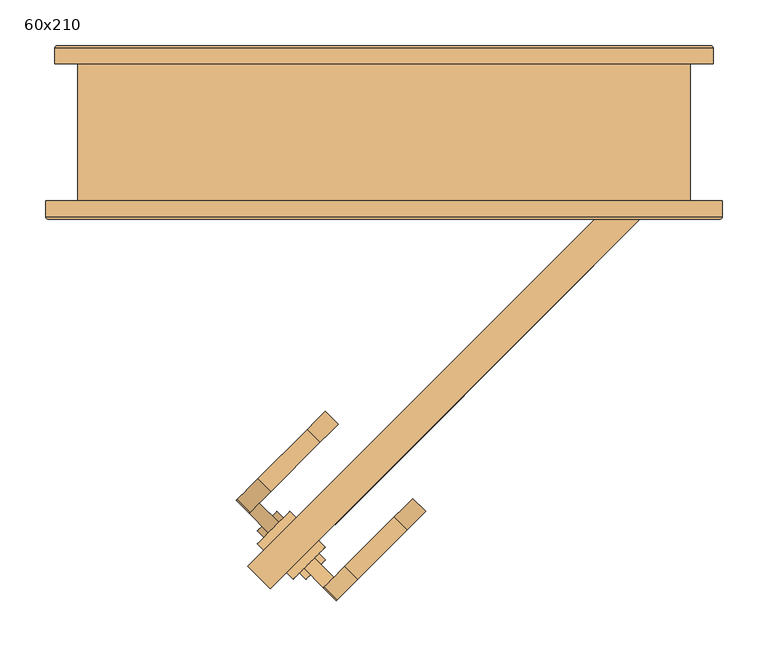
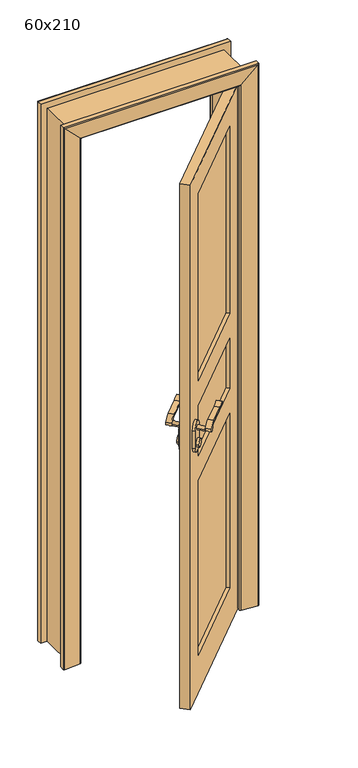
"""IFC4 building model written with IfcOpenShell, lengths in millimetres: door geometry, 60x210."""

from ifc_helpers import new_model, si_unit, point, frame, frame_2d, origin, place, context, project, spatial, polyline, circle_curve, ellipse_curve, trimmed, segment, composite_curve, outline, extrude, faceted_brep, source, transform, mapped, element, save
from ifc_brep_helpers import plane_surface, cylinder_surface, advanced_brep


def door_60x210_3c342f93(model_context):
    return source(origin(), model_context, "Body", "SolidModel", [
        extrude(outline(composite_curve([segment(trimmed(circle_curve(frame_2d((0.0, -15.0)), 15.0), [point((0.0, -29.9999999))], [point((0.0, 0.0))], False, "CARTESIAN"), True, "CONTINUOUS"), segment(trimmed(circle_curve(frame_2d((0.0, -15.0)), 15.0), [point((0.0, 0.0))], [point((0.0, -29.9999999))], False, "CARTESIAN"), True, "CONTINUOUS")], self_intersect=False)), frame((-131.3351365, -442.6955262, 1040.0), z_axis=(-0.7071067811865439, 0.7071067811865511, 0.0), x_axis=(0.0, 0.0, -1.0)), (0.0, 0.0, 1.0), 10.0),
        extrude(outline(composite_curve([segment(trimmed(circle_curve(frame_2d((0.0, -15.0)), 15.0), [point((0.0, -29.9999999))], [point((0.0, 0.0))], False, "CARTESIAN"), True, "CONTINUOUS"), segment(trimmed(circle_curve(frame_2d((0.0, -15.0)), 15.0), [point((0.0, 0.0))], [point((0.0, -29.9999999))], False, "CARTESIAN"), True, "CONTINUOUS")], self_intersect=False)), frame((-85.3731957, -488.657467, 1040.0), z_axis=(-0.7071067811865439, 0.7071067811865511, 0.0), x_axis=(0.0, 0.0, -1.0)), (0.0, 0.0, 1.0), 10.0),
        extrude(outline(composite_curve([segment(trimmed(circle_curve(frame_2d((17.2444479, -60.9507348)), 8.0), [point((21.8967766, -67.4588711))], [point((17.2444479, -52.9507348))], False, "CARTESIAN"), True, "CONTINUOUS"), segment(trimmed(circle_curve(frame_2d((12.1183092, -35.5645447)), 18.1261387), [point((17.2444479, -52.9507348))], [point((30.2444479, -35.5645447))], True, "CARTESIAN"), True, "CONTINUOUS"), segment(polyline([(30.2444479, -35.5645447), (30.2444479, 40.692856)]), True, "CONTINUOUS"), segment(trimmed(circle_curve(frame_2d((89.5153686, 37.109604)), 59.3791355), [point((30.2444479, 40.692856))], [point((39.4580037, 69.0492652))], False, "CARTESIAN"), True, "CONTINUOUS"), segment(polyline([(39.4580037, 69.0492652), (42.2444479, 69.0492652)]), True, "CONTINUOUS"), segment(trimmed(circle_curve(frame_2d((120.5295117, 40.6264743)), 83.2850902), [point((42.2444479, 69.0492652))], [point((37.2444479, 40.692856))], True, "CARTESIAN"), True, "CONTINUOUS"), segment(polyline([(37.2444479, 40.692856), (37.2444479, -35.5833014)]), True, "CONTINUOUS"), segment(trimmed(circle_curve(frame_2d((0.0, -37.2832219)), 37.2832219), [point((37.2444479, -35.5833014))], [point((21.8967766, -67.4588711))], False, "CARTESIAN"), True, "CONTINUOUS")], self_intersect=False)), frame((-98.8430603, -367.7770432, 1082.7555521), z_axis=(-0.7071067811865439, 0.7071067811865511, 0.0), x_axis=(0.0, 0.0, 1.0)), (0.0, 0.0, 1.0), 20.0),
        extrude(outline(composite_curve([segment(trimmed(circle_curve(frame_2d((0.0, 18.1261319)), 18.1261318), [point((-5.1261221, 35.5123197))], [point((-18.1261318, 18.1261319))], True, "CARTESIAN"), True, "CONTINUOUS"), segment(polyline([(-18.1261318, 18.1261319), (-18.1261318, -58.1312713)]), True, "CONTINUOUS"), segment(trimmed(circle_curve(frame_2d((-77.3970525, -54.5480191)), 59.3791355), [point((-18.1261318, -58.1312713))], [point((-27.3396876, -86.4876803))], False, "CARTESIAN"), True, "CONTINUOUS"), segment(polyline([(-27.3396876, -86.4876803), (-30.1261318, -86.4876803)]), True, "CONTINUOUS"), segment(trimmed(circle_curve(frame_2d((-108.4111956, -58.0648894)), 83.2850902), [point((-30.1261318, -86.4876803))], [point((-25.1261318, -58.1312713))], True, "CARTESIAN"), True, "CONTINUOUS"), segment(polyline([(-25.1261318, -58.1312713), (-25.1261318, 18.1448864)]), True, "CONTINUOUS"), segment(trimmed(circle_curve(frame_2d((12.1183161, 19.8448067)), 37.2832219), [point((-25.1261318, 18.1448864))], [point((-9.7784605, 50.0204559))], False, "CARTESIAN"), True, "CONTINUOUS"), segment(trimmed(circle_curve(frame_2d((-5.1261318, 43.5123197)), 8.0), [point((-9.7784605, 50.0204559))], [point((-5.1261221, 35.5123197))], False, "CARTESIAN"), True, "CONTINUOUS")], self_intersect=False)), frame((-15.7144665, -475.5672802, 1094.8738682), z_axis=(-0.7071067811865439, 0.7071067811865511, 0.0), x_axis=(0.0, 0.0, -1.0)), (0.0, 0.0, 1.0), 20.0),
        extrude(outline(composite_curve([segment(trimmed(circle_curve(frame_2d((0.0, -8.0)), 8.0), [point((0.0, -16.0))], [point((0.0, 0.0))], False, "CARTESIAN"), True, "CONTINUOUS"), segment(trimmed(circle_curve(frame_2d((0.0, -8.0)), 8.0), [point((0.0, 0.0))], [point((0.0, -16.0))], False, "CARTESIAN"), True, "CONTINUOUS")], self_intersect=False)), frame((-126.3853891, -437.7457787, 1100.0), z_axis=(-0.7071067811865439, 0.7071067811865511, 0.0), x_axis=(0.0, 0.0, -1.0)), (0.0, 0.0, 1.0), 30.0),
        extrude(outline(composite_curve([segment(trimmed(circle_curve(frame_2d((0.0, -8.0)), 8.0), [point((0.0, -15.9999999))], [point((0.0, 0.0))], False, "CARTESIAN"), True, "CONTINUOUS"), segment(trimmed(circle_curve(frame_2d((0.0, -8.0)), 8.0), [point((0.0, 0.0))], [point((0.0, -15.9999999))], False, "CARTESIAN"), True, "CONTINUOUS")], self_intersect=False)), frame((-66.2813127, -497.8498551, 1100.0), z_axis=(-0.7071067811865439, 0.7071067811865511, 0.0), x_axis=(0.0, 0.0, -1.0)), (0.0, 0.0, 1.0), 30.0),
        extrude(outline(composite_curve([segment(trimmed(circle_curve(frame_2d((0.0, -25.0)), 25.0), [point((0.0, 0.0))], [point((0.0, -49.9999999))], False, "CARTESIAN"), True, "CONTINUOUS"), segment(polyline([(0.0, -49.9999999), (-70.0, -49.9999999)]), True, "CONTINUOUS"), segment(trimmed(circle_curve(frame_2d((-70.0, -25.0)), 25.0), [point((-70.0, -49.9999999))], [point((-70.0, 0.0))], False, "CARTESIAN"), True, "CONTINUOUS"), segment(polyline([(-70.0, 0.0), (0.0, 0.0)]), True, "CONTINUOUS")], self_intersect=False)), frame((-131.3351365, -456.8376618, 1030.0), z_axis=(-0.7071067811865439, 0.7071067811865511, 0.0), x_axis=(0.0, 0.0, -1.0)), (0.0, 0.0, 1.0), 10.0),
        extrude(outline(composite_curve([segment(trimmed(circle_curve(frame_2d((0.0, -25.0)), 25.0), [point((0.0, 0.0))], [point((0.0, -50.0000001))], False, "CARTESIAN"), True, "CONTINUOUS"), segment(polyline([(0.0, -50.0000001), (-70.0, -50.0000001)]), True, "CONTINUOUS"), segment(trimmed(circle_curve(frame_2d((-70.0, -25.0)), 25.0), [point((-70.0, -50.0000001))], [point((-70.0, 0.0))], False, "CARTESIAN"), True, "CONTINUOUS"), segment(polyline([(-70.0, 0.0), (0.0, 0.0)]), True, "CONTINUOUS")], self_intersect=False)), frame((-99.5153314, -488.657467, 1030.0), z_axis=(-0.7071067811865439, 0.7071067811865511, 0.0), x_axis=(0.0, 0.0, -1.0)), (0.0, 0.0, 1.0), 10.0),
        extrude(outline(polyline([(-600.0, 0.0), (0.0, 0.0), (0.0, -2100.0), (-600.0, -2100.0), (-600.0, 0.0)]), holes=[polyline([(-500.0, -950.0), (-500.0, -1150.0), (-100.0, -1150.0), (-100.0, -950.0), (-500.0, -950.0)]), polyline([(-500.0, -1250.0), (-500.0, -1950.0), (-100.0, -1950.0), (-100.0, -1250.0), (-500.0, -1250.0)]), polyline([(-500.0, -100.0), (-500.0, -850.0), (-100.0, -850.0), (-100.0, -100.0), (-500.0, -100.0)])]), frame((-124.2640687, -499.2640687, 2100.0), z_axis=(-0.7071067811865439, 0.7071067811865511, 0.0), x_axis=(-0.7071067811865511, -0.7071067811865439, 0.0)), (0.0, 0.0, 1.0), 35.0),
        extrude(outline(polyline([(220.4504871, -136.8718434), (-62.3922254, -419.7145558), (-69.4632932, -412.643488), (213.3794193, -129.8007755), (220.4504871, -136.8718434)])), frame((0.0, 0.0, 950.0), z_axis=(0.0, 0.0, 1.0), x_axis=(1.0, 0.0, 0.0)), (0.0, 0.0, 1.0), 200.0),
        extrude(outline(polyline([(220.4504871, -136.8718434), (-62.3922254, -419.7145558), (-69.4632932, -412.643488), (213.3794193, -129.8007755), (220.4504871, -136.8718434)])), frame((0.0, 0.0, 150.0), z_axis=(0.0, 0.0, 1.0), x_axis=(1.0, 0.0, 0.0)), (0.0, 0.0, 1.0), 700.0),
        extrude(outline(polyline([(220.4504871, -136.8718434), (-62.3922254, -419.7145558), (-69.4632932, -412.643488), (213.3794193, -129.8007755), (220.4504871, -136.8718434)])), frame((0.0, 0.0, 1250.0), z_axis=(0.0, 0.0, 1.0), x_axis=(1.0, 0.0, 0.0)), (0.0, 0.0, 1.0), 750.0),
        advanced_brep(
        [(360.0, 75.0, 0.0), (290.0, 75.0, 0.0), (290.0, 85.0, 0.0), (295.0, 90.0, 0.0), (357.3082588, 94.792943, 0.0), (360.0, 92.3003068, 0.0), (360.0, 75.0, 2160.0), (-360.0, 75.0, 2160.0), (-360.0, 75.0, 0.0), (-290.0, 75.0, 0.0), (-290.0, 75.0, 2090.0), (290.0, 75.0, 2090.0), (290.0, 85.0, 2090.0), (295.0, 90.0, 2095.0), (357.3082588, 94.792943, 2157.3082588), (360.0, 92.3003068, 2160.0), (-360.0, 92.3003068, 2160.0), (-360.0, 92.3003068, 0.0), (-357.3082588, 94.792943, 0.0), (-295.0, 90.0, 0.0), (-290.0, 85.0, 0.0), (-290.0, 85.0, 2090.0), (-357.3082588, 94.792943, 2157.3082588), (-295.0, 90.0, 2095.0)],
        [
            (0, 1),
            (1, 2),
            (2, 3, circle_curve(frame((295.0, 85.0, 0.0), z_axis=(0.0, 0.0, -1.0), x_axis=(0.0, 1.0, 0.0)), 5.0)),
            (3, 4),
            (4, 5, circle_curve(frame((357.5, 92.3003068, 0.0), z_axis=(0.0, 0.0, -1.0), x_axis=(0.0, 1.0, 0.0)), 2.5)),
            (5, 0),
            (0, 6),
            (6, 7),
            (7, 8),
            (8, 9),
            (9, 10),
            (10, 11),
            (11, 1),
            (11, 12),
            (12, 2),
            (12, 13, ellipse_curve(frame((295.0, 85.0, 2095.0), z_axis=(0.7071067811865475, 0.0, -0.7071067811865475), x_axis=(-0.7071067811865474, 0.0, -0.7071067811865476)), 7.0710678, 5.0)),
            (13, 3),
            (13, 14),
            (14, 4),
            (14, 15, ellipse_curve(frame((357.5, 92.3003068, 2157.5), z_axis=(0.7071067811865475, 0.0, -0.7071067811865475), x_axis=(-0.7071067811865474, 0.0, -0.7071067811865476)), 3.5355339, 2.5)),
            (15, 5),
            (15, 6),
            (7, 16),
            (16, 17),
            (17, 8),
            (17, 18, circle_curve(frame((-357.5, 92.3003068, 0.0), z_axis=(0.0, 0.0, -1.0), x_axis=(0.0, 1.0, 0.0)), 2.5)),
            (18, 19),
            (19, 20, circle_curve(frame((-295.0, 85.0, 0.0), z_axis=(0.0, 0.0, -1.0), x_axis=(0.0, 1.0, 0.0)), 5.0)),
            (20, 9),
            (21, 10),
            (20, 21),
            (16, 22, ellipse_curve(frame((-357.5, 92.3003068, 2157.5), z_axis=(-0.7071067811865475, 0.0, -0.7071067811865475), x_axis=(-0.7071067811865474, 0.0, 0.7071067811865476)), 3.5355339, 2.5)),
            (22, 18),
            (22, 23),
            (23, 19),
            (23, 21, ellipse_curve(frame((-295.0, 85.0, 2095.0), z_axis=(-0.7071067811865475, 0.0, -0.7071067811865475), x_axis=(-0.7071067811865474, 0.0, 0.7071067811865476)), 7.0710678, 5.0)),
            (21, 12),
            (23, 13),
            (22, 14),
            (16, 15),
        ],
        [
            plane_surface(frame((290.0, 75.0, 0.0), z_axis=(0.0, 0.0, -1.0), x_axis=(-1.0, 0.0, 0.0))),
            plane_surface(frame((360.0, 75.0, 0.0), z_axis=(0.0, -1.0, 0.0), x_axis=(0.0, 0.0, 1.0))),
            plane_surface(frame((290.0, 75.0, 0.0), z_axis=(-1.0, 0.0, 0.0), x_axis=(0.0, 0.0, 1.0))),
            cylinder_surface(frame((295.0, 85.0, 0.0), z_axis=(0.0, 0.0, -1.0), x_axis=(0.0, 1.0, 0.0)), 5.0),
            plane_surface(frame((295.0, 90.0, 0.0), z_axis=(-0.07669649888474349, 0.9970544855015812, 0.0), x_axis=(0.0, 0.0, 1.0))),
            cylinder_surface(frame((357.5, 92.3003068, 0.0), z_axis=(0.0, 0.0, -1.0), x_axis=(0.0, 1.0, 0.0)), 2.5),
            plane_surface(frame((360.0, 92.3003068, 0.0), z_axis=(1.0, 0.0, 0.0), x_axis=(0.0, 0.0, 1.0))),
            plane_surface(frame((-360.0, 92.3003068, 2160.0), z_axis=(-1.0, 0.0, 0.0), x_axis=(0.0, 0.0, -1.0))),
            plane_surface(frame((-290.0, 75.0, 0.0), z_axis=(0.0, 0.0, -1.0), x_axis=(1.0, 0.0, 0.0))),
            plane_surface(frame((-290.0, 75.0, 2090.0), z_axis=(1.0, 0.0, 0.0), x_axis=(0.0, 0.0, -1.0))),
            cylinder_surface(frame((-357.5, 92.3003068, 2090.0), z_axis=(0.0, 0.0, 1.0), x_axis=(0.0, 1.0, 0.0)), 2.5),
            plane_surface(frame((-295.0, 90.0, 2095.0), z_axis=(0.07669649888474349, 0.9970544855015812, 0.0), x_axis=(0.0, 0.0, -1.0))),
            cylinder_surface(frame((-295.0, 85.0, 2090.0), z_axis=(0.0, 0.0, 1.0), x_axis=(0.0, 1.0, 0.0)), 5.0),
            plane_surface(frame((290.0, 75.0, 2090.0), z_axis=(0.0, 0.0, -1.0), x_axis=(-1.0, 0.0, 0.0))),
            cylinder_surface(frame((290.0, 85.0, 2095.0), z_axis=(1.0, 0.0, 0.0), x_axis=(0.0, 1.0, 0.0)), 5.0),
            plane_surface(frame((295.0, 90.0, 2095.0), z_axis=(0.0, 0.9970544855015812, -0.07669649888474349), x_axis=(-1.0, 0.0, 0.0))),
            cylinder_surface(frame((290.0, 92.3003068, 2157.5), z_axis=(1.0, 0.0, 0.0), x_axis=(0.0, 1.0, 0.0)), 2.5),
            plane_surface(frame((360.0, 92.3003068, 2160.0), z_axis=(0.0, 0.0, 1.0), x_axis=(-1.0, 0.0, 0.0))),
        ],
        [
            (0, [[1, 2, 3, 4, 5, 6]]),
            (1, [[-1, 7, 8, 9, 10, 11, 12, 13]]),
            (2, [[-2, -13, 14, 15]]),
            (3, [[-3, -15, 16, 17]]),
            (4, [[-4, -17, 18, 19]]),
            (5, [[-5, -19, 20, 21]]),
            (6, [[-6, -21, 22, -7]]),
            (7, [[23, 24, 25, -9]]),
            (8, [[-25, 26, 27, 28, 29, -10]]),
            (9, [[30, -11, -29, 31]]),
            (10, [[32, 33, -26, -24]]),
            (11, [[34, 35, -27, -33]]),
            (12, [[36, -31, -28, -35]]),
            (13, [[-14, -12, -30, 37]]),
            (14, [[-16, -37, -36, 38]]),
            (15, [[-18, -38, -34, 39]]),
            (16, [[-20, -39, -32, 40]]),
            (17, [[-22, -40, -23, -8]]),
        ],
    ),
        advanced_brep(
        [(370.0, -75.0, 0.0), (370.0, -92.3003068, 0.0), (367.3082588, -94.792943, 0.0), (305.0, -90.0, 0.0), (300.0, -85.0, 0.0), (300.0, -75.0, 0.0), (370.0, -75.0, 2170.0), (370.0, -92.3003068, 2170.0), (367.3082588, -94.792943, 2167.3082588), (305.0, -90.0, 2105.0), (300.0, -85.0, 2100.0), (300.0, -75.0, 2100.0), (-300.0, -75.0, 2100.0), (-300.0, -75.0, 0.0), (-370.0, -75.0, 0.0), (-370.0, -75.0, 2170.0), (-300.0, -85.0, 2100.0), (-300.0, -85.0, 0.0), (-305.0, -90.0, 0.0), (-367.3082588, -94.792943, 0.0), (-370.0, -92.3003068, 0.0), (-370.0, -92.3003068, 2170.0), (-305.0, -90.0, 2105.0), (-367.3082588, -94.792943, 2167.3082588)],
        [
            (0, 1),
            (1, 2, circle_curve(frame((367.5, -92.3003068, 0.0), z_axis=(0.0, 0.0, -1.0), x_axis=(0.0, -1.0, 0.0)), 2.5)),
            (2, 3),
            (3, 4, circle_curve(frame((305.0, -85.0, 0.0), z_axis=(0.0, 0.0, -1.0), x_axis=(0.0, -1.0, 0.0)), 5.0)),
            (4, 5),
            (5, 0),
            (0, 6),
            (6, 7),
            (7, 1),
            (7, 8, ellipse_curve(frame((367.5, -92.3003068, 2167.5), z_axis=(0.7071067811865475, 0.0, -0.7071067811865475), x_axis=(-0.7071067811865474, 0.0, -0.7071067811865476)), 3.5355339, 2.5)),
            (8, 2),
            (8, 9),
            (9, 3),
            (9, 10, ellipse_curve(frame((305.0, -85.0, 2105.0), z_axis=(0.7071067811865475, 0.0, -0.7071067811865475), x_axis=(-0.7071067811865474, 0.0, -0.7071067811865476)), 7.0710678, 5.0)),
            (10, 4),
            (10, 11),
            (11, 5),
            (11, 12),
            (12, 13),
            (13, 14),
            (14, 15),
            (15, 6),
            (12, 16),
            (16, 17),
            (17, 13),
            (17, 18, circle_curve(frame((-305.0, -85.0, 0.0), z_axis=(0.0, 0.0, -1.0), x_axis=(0.0, -1.0, 0.0)), 5.0)),
            (18, 19),
            (19, 20, circle_curve(frame((-367.5, -92.3003068, 0.0), z_axis=(0.0, 0.0, -1.0), x_axis=(0.0, -1.0, 0.0)), 2.5)),
            (20, 14),
            (21, 15),
            (20, 21),
            (16, 22, ellipse_curve(frame((-305.0, -85.0, 2105.0), z_axis=(-0.7071067811865475, 0.0, -0.7071067811865475), x_axis=(-0.7071067811865474, 0.0, 0.7071067811865476)), 7.0710678, 5.0)),
            (22, 18),
            (22, 23),
            (23, 19),
            (23, 21, ellipse_curve(frame((-367.5, -92.3003068, 2167.5), z_axis=(-0.7071067811865475, 0.0, -0.7071067811865475), x_axis=(-0.7071067811865474, 0.0, 0.7071067811865476)), 3.5355339, 2.5)),
            (21, 7),
            (23, 8),
            (22, 9),
            (16, 10),
        ],
        [
            plane_surface(frame((300.0, -75.0, 0.0), z_axis=(0.0, 0.0, -1.0), x_axis=(-1.0, 0.0, 0.0))),
            plane_surface(frame((370.0, -75.0, 0.0), z_axis=(1.0, 0.0, 0.0), x_axis=(0.0, 0.0, 1.0))),
            cylinder_surface(frame((367.5, -92.3003068, 0.0), z_axis=(0.0, 0.0, -1.0), x_axis=(0.0, -1.0, 0.0)), 2.5),
            plane_surface(frame((367.3082588, -94.792943, 0.0), z_axis=(-0.07669649888474349, -0.9970544855015812, 0.0), x_axis=(0.0, 0.0, 1.0))),
            cylinder_surface(frame((305.0, -85.0, 0.0), z_axis=(0.0, 0.0, -1.0), x_axis=(0.0, -1.0, 0.0)), 5.0),
            plane_surface(frame((300.0, -85.0, 0.0), z_axis=(-1.0, 0.0, 0.0), x_axis=(0.0, 0.0, 1.0))),
            plane_surface(frame((300.0, -75.0, 0.0), z_axis=(0.0, 1.0, 0.0), x_axis=(0.0, 0.0, 1.0))),
            plane_surface(frame((-300.0, -85.0, 2100.0), z_axis=(1.0, 0.0, 0.0), x_axis=(0.0, 0.0, -1.0))),
            plane_surface(frame((-300.0, -75.0, 0.0), z_axis=(0.0, 0.0, -1.0), x_axis=(1.0, 0.0, 0.0))),
            plane_surface(frame((-370.0, -75.0, 2170.0), z_axis=(-1.0, 0.0, 0.0), x_axis=(0.0, 0.0, -1.0))),
            cylinder_surface(frame((-305.0, -85.0, 2100.0), z_axis=(0.0, 0.0, 1.0), x_axis=(0.0, -1.0, 0.0)), 5.0),
            plane_surface(frame((-367.3082588, -94.792943, 2167.3082588), z_axis=(0.07669649888474349, -0.9970544855015812, 0.0), x_axis=(0.0, 0.0, -1.0))),
            cylinder_surface(frame((-367.5, -92.3003068, 2100.0), z_axis=(0.0, 0.0, 1.0), x_axis=(0.0, -1.0, 0.0)), 2.5),
            plane_surface(frame((370.0, -75.0, 2170.0), z_axis=(0.0, 0.0, 1.0), x_axis=(-1.0, 0.0, 0.0))),
            cylinder_surface(frame((300.0, -92.3003068, 2167.5), z_axis=(1.0, 0.0, 0.0), x_axis=(0.0, -1.0, 0.0)), 2.5),
            plane_surface(frame((367.3082588, -94.792943, 2167.3082588), z_axis=(0.0, -0.9970544855015812, -0.07669649888474347), x_axis=(-1.0, 0.0, 0.0))),
            cylinder_surface(frame((300.0, -85.0, 2105.0), z_axis=(1.0, 0.0, 0.0), x_axis=(0.0, -1.0, 0.0)), 5.0),
            plane_surface(frame((300.0, -85.0, 2100.0), z_axis=(0.0, 0.0, -1.0), x_axis=(-1.0, 0.0, 0.0))),
        ],
        [
            (0, [[1, 2, 3, 4, 5, 6]]),
            (1, [[-1, 7, 8, 9]]),
            (2, [[-2, -9, 10, 11]]),
            (3, [[-3, -11, 12, 13]]),
            (4, [[-4, -13, 14, 15]]),
            (5, [[-5, -15, 16, 17]]),
            (6, [[-6, -17, 18, 19, 20, 21, 22, -7]]),
            (7, [[23, 24, 25, -19]]),
            (8, [[-20, -25, 26, 27, 28, 29]]),
            (9, [[30, -21, -29, 31]]),
            (10, [[32, 33, -26, -24]]),
            (11, [[34, 35, -27, -33]]),
            (12, [[36, -31, -28, -35]]),
            (13, [[-8, -22, -30, 37]]),
            (14, [[-10, -37, -36, 38]]),
            (15, [[-12, -38, -34, 39]]),
            (16, [[-14, -39, -32, 40]]),
            (17, [[-16, -40, -23, -18]]),
        ],
    ),
        faceted_brep([(290.0, 75.0, 0.0), (335.0, 75.0, 0.0), (335.0, -75.0, 0.0), (300.0, -75.0, 0.0), (300.0, -40.0, 0.0), (290.0, -40.0, 0.0), (290.0, 75.0, 2090.0), (-290.0, 75.0, 2090.0), (-290.0, 75.0, 0.0), (-335.0, 75.0, 0.0), (-335.0, 75.0, 2135.0), (335.0, 75.0, 2135.0), (335.0, -75.0, 2135.0), (-335.0, -75.0, 2135.0), (-335.0, -75.0, 0.0), (-300.0, -75.0, 0.0), (-300.0, -75.0, 2100.0), (300.0, -75.0, 2100.0), (300.0, -40.0, 2100.0), (-300.0, -40.0, 2100.0), (-300.0, -40.0, 0.0), (-290.0, -40.0, 0.0), (-290.0, -40.0, 2090.0), (290.0, -40.0, 2090.0)], [[[0, 1, 2, 3, 4, 5]], [[1, 0, 6, 7, 8, 9, 10, 11]], [[2, 1, 11, 12]], [[3, 2, 12, 13, 14, 15, 16, 17]], [[4, 3, 17, 18]], [[5, 4, 18, 19, 20, 21, 22, 23]], [[0, 5, 23, 6]], [[7, 22, 21, 8]], [[8, 21, 20, 15, 14, 9]], [[13, 10, 9, 14]], [[19, 16, 15, 20]], [[12, 11, 10, 13]], [[18, 17, 16, 19]], [[6, 23, 22, 7]]]),
    ])


if __name__ == "__main__":
    model = new_model("IFC4")
    model_context = context("Model", 3, world=origin())
    ifc_project = project(units=[si_unit("LENGTHUNIT", "METRE", prefix="MILLI")], contexts=[model_context])
    site = spatial("IfcSite", under=ifc_project)
    building = spatial("IfcBuilding", under=site)
    placement = place(None, origin())
    door_60x210_shape = door_60x210_3c342f93(model_context)
    element("IfcDoor", 1, ObjectType="60x210", at=placement, inside=building, context=model_context, shape_type="MappedRepresentation", body=[
        mapped(door_60x210_shape, transform((0.0, 0.0, 0.0), x_axis=(1.0, 0.0, 0.0), y_axis=(0.0, 1.0, 0.0), z_axis=(0.0, 0.0, 1.0))),
    ])
    save(model, "model.ifc")
